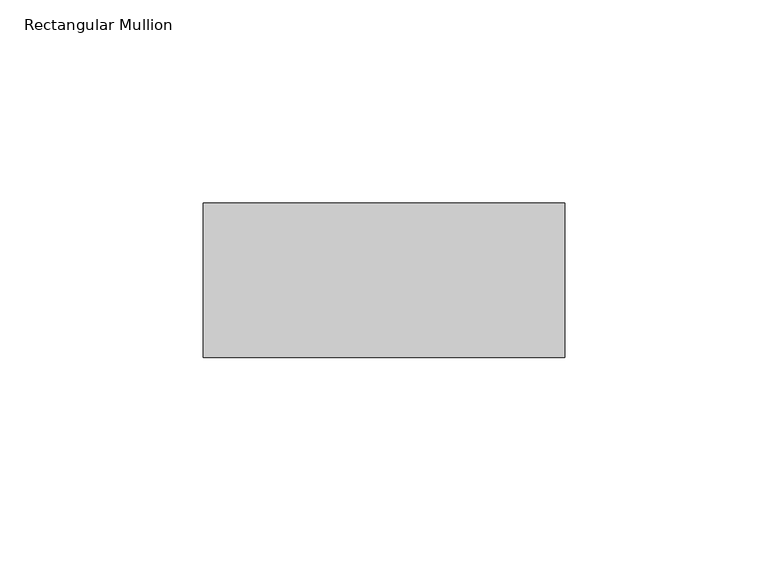
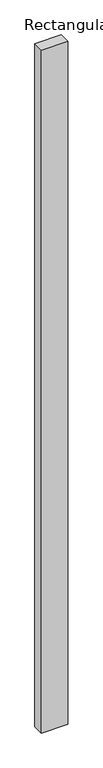
"""IFC4 building model written with IfcOpenShell, lengths in millimetres: member geometry, Rectangular Mullion."""

from ifc_helpers import new_model, si_unit, frame, origin, place, context, project, spatial, polyline, outline, extrude, source, transform, mapped, element, save


def rectangular_mullion_dff734e7(model_context):
    return source(origin(), model_context, "Body", "SweptSolid", [
        extrude(outline(polyline([(0.0, -80.0), (0.0, -118.0), (-89.0, -118.0), (-89.0, -80.0), (0.0, -80.0)])), frame((0.0, 0.0, -2450.0), z_axis=(0.0, 0.0, 1.0), x_axis=(1.0, 0.0, 0.0)), (0.0, 0.0, 1.0), 2450.0),
    ])


if __name__ == "__main__":
    model = new_model("IFC4")
    model_context = context("Model", 3, world=origin())
    ifc_project = project(units=[si_unit("LENGTHUNIT", "METRE", prefix="MILLI")], contexts=[model_context])
    site = spatial("IfcSite", under=ifc_project)
    building = spatial("IfcBuilding", under=site)
    placement = place(None, origin())
    rectangular_mullion_shape = rectangular_mullion_dff734e7(model_context)
    element("IfcMember", 1, ObjectType="Rectangular Mullion", at=placement, inside=building, context=model_context, shape_type="MappedRepresentation", body=[
        mapped(rectangular_mullion_shape, transform((0.0, 0.0, 0.0), x_axis=(1.0, 0.0, 0.0), y_axis=(0.0, 1.0, 0.0), z_axis=(0.0, 0.0, 1.0))),
    ])
    save(model, "model.ifc")
